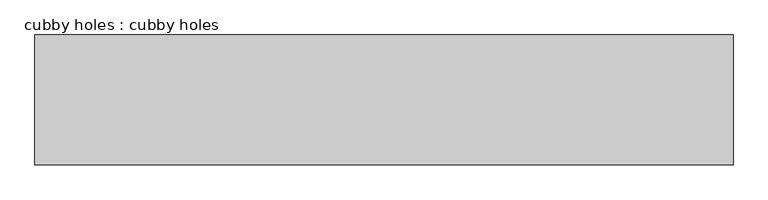
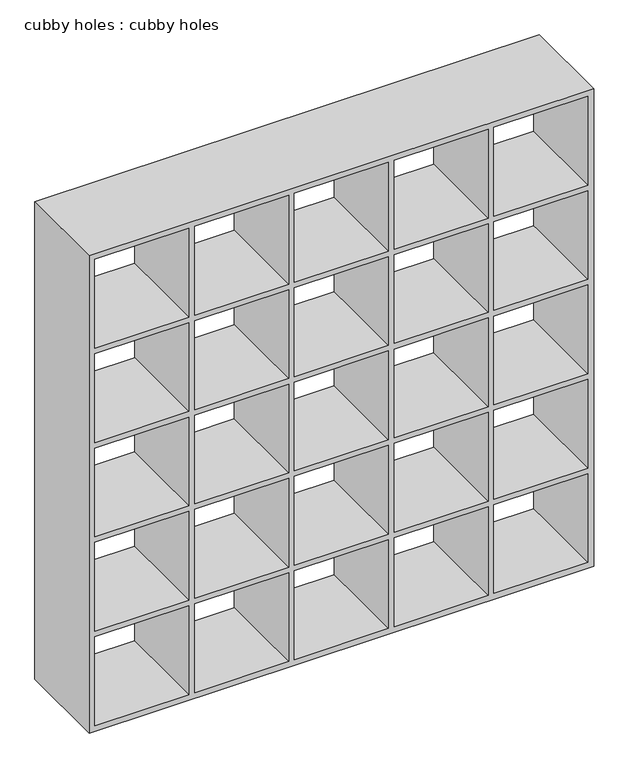
"""IFC4 building model written with IfcOpenShell, lengths in millimetres: furniture geometry, cubby holes : cubby holes."""

from ifc_helpers import new_model, si_unit, frame, origin, place, context, project, spatial, polyline, outline, extrude, source, transform, mapped, element, save


def cubby_holes_cubby_holes_b0a8d2b5(model_context):
    return source(origin(), model_context, "Body", "SweptSolid", [
        extrude(outline(polyline([(1638.3, 0.0), (0.0, 0.0), (0.0, 1638.3), (1638.3, 1638.3), (1638.3, 0.0)]), holes=[polyline([(323.85, 19.05), (323.85, 323.85), (19.05, 323.85), (19.05, 19.05), (323.85, 19.05)]), polyline([(323.85, 342.9), (323.85, 647.7), (19.05, 647.7), (19.05, 342.9), (323.85, 342.9)]), polyline([(323.85, 666.75), (323.85, 971.55), (19.05, 971.55), (19.05, 666.75), (323.85, 666.75)]), polyline([(323.85, 990.6), (323.85, 1295.4), (19.05, 1295.4), (19.05, 990.6), (323.85, 990.6)]), polyline([(323.85, 1314.45), (323.85, 1619.25), (19.05, 1619.25), (19.05, 1314.45), (323.85, 1314.45)]), polyline([(342.9, 323.85), (342.9, 19.05), (647.7, 19.05), (647.7, 323.85), (342.9, 323.85)]), polyline([(666.75, 323.85), (666.75, 19.05), (971.55, 19.05), (971.55, 323.85), (666.75, 323.85)]), polyline([(990.6, 323.85), (990.6, 19.05), (1295.4, 19.05), (1295.4, 323.85), (990.6, 323.85)]), polyline([(1314.45, 323.85), (1314.45, 19.05), (1619.25, 19.05), (1619.25, 323.85), (1314.45, 323.85)]), polyline([(1619.25, 647.7), (1314.45, 647.7), (1314.45, 342.9), (1619.25, 342.9), (1619.25, 647.7)]), polyline([(1619.25, 971.55), (1314.45, 971.55), (1314.45, 666.75), (1619.25, 666.75), (1619.25, 971.55)]), polyline([(1619.25, 1295.4), (1314.45, 1295.4), (1314.45, 990.6), (1619.25, 990.6), (1619.25, 1295.4)]), polyline([(1619.25, 1619.25), (1314.45, 1619.25), (1314.45, 1314.45), (1619.25, 1314.45), (1619.25, 1619.25)]), polyline([(1295.4, 647.7), (990.6, 647.7), (990.6, 342.9), (1295.4, 342.9), (1295.4, 647.7)]), polyline([(1295.4, 971.55), (990.6, 971.55), (990.6, 666.75), (1295.4, 666.75), (1295.4, 971.55)]), polyline([(1295.4, 1295.4), (990.6, 1295.4), (990.6, 990.6), (1295.4, 990.6), (1295.4, 1295.4)]), polyline([(1295.4, 1619.25), (990.6, 1619.25), (990.6, 1314.45), (1295.4, 1314.45), (1295.4, 1619.25)]), polyline([(971.55, 647.7), (666.75, 647.7), (666.75, 342.9), (971.55, 342.9), (971.55, 647.7)]), polyline([(971.55, 971.55), (666.75, 971.55), (666.75, 666.75), (971.55, 666.75), (971.55, 971.55)]), polyline([(971.55, 1295.4), (666.75, 1295.4), (666.75, 990.6), (971.55, 990.6), (971.55, 1295.4)]), polyline([(971.55, 1619.25), (666.75, 1619.25), (666.75, 1314.45), (971.55, 1314.45), (971.55, 1619.25)]), polyline([(647.7, 647.7), (342.9, 647.7), (342.9, 342.9), (647.7, 342.9), (647.7, 647.7)]), polyline([(647.7, 971.55), (342.9, 971.55), (342.9, 666.75), (647.7, 666.75), (647.7, 971.55)]), polyline([(647.7, 1295.4), (342.9, 1295.4), (342.9, 990.6), (647.7, 990.6), (647.7, 1295.4)]), polyline([(647.7, 1619.25), (342.9, 1619.25), (342.9, 1314.45), (647.7, 1314.45), (647.7, 1619.25)])]), frame((0.0, 0.0, 0.0), z_axis=(0.0, 1.0, 0.0), x_axis=(0.0, 0.0, 1.0)), (0.0, 0.0, 1.0), 304.8),
    ])


if __name__ == "__main__":
    model = new_model("IFC4")
    model_context = context("Model", 3, world=origin())
    ifc_project = project(units=[si_unit("LENGTHUNIT", "METRE", prefix="MILLI")], contexts=[model_context])
    site = spatial("IfcSite", under=ifc_project)
    building = spatial("IfcBuilding", under=site)
    placement = place(None, origin())
    cubby_holes_cubby_holes_shape = cubby_holes_cubby_holes_b0a8d2b5(model_context)
    element("IfcFurniture", 1, ObjectType="cubby holes : cubby holes", at=placement, inside=building, context=model_context, shape_type="MappedRepresentation", body=[
        mapped(cubby_holes_cubby_holes_shape, transform((0.0, 0.0, 0.0), x_axis=(1.0, 0.0, 0.0), y_axis=(0.0, 1.0, 0.0), z_axis=(0.0, 0.0, 1.0))),
    ])
    save(model, "model.ifc")
